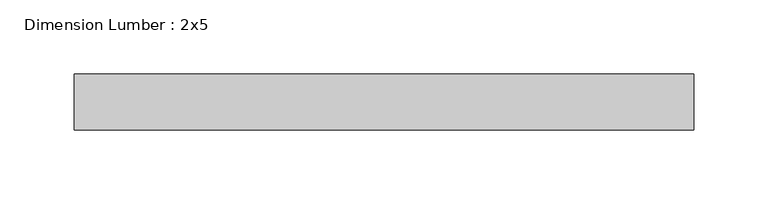
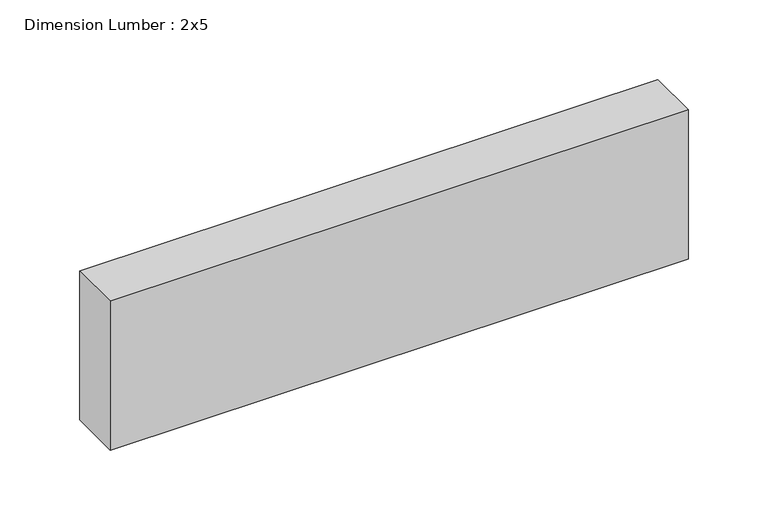
"""IFC4 building model written with IfcOpenShell, lengths in millimetres: beam geometry, Dimension Lumber : 2x5."""

from ifc_helpers import new_model, si_unit, frame, origin, place, context, project, spatial, polyline, outline, extrude, source, transform, mapped, element, save


def dimension_lumber_2x5_a3cd55ff(model_context):
    return source(origin(), model_context, "Body", "SweptSolid", [
        extrude(outline(polyline([(209.4240339, 19.05), (209.4240339, -19.05), (-209.4240339, -19.05), (-209.4240339, 19.05), (209.4240339, 19.05)])), frame((0.0, 0.0, -57.15), z_axis=(0.0, 0.0, 1.0), x_axis=(1.0, 0.0, 0.0)), (0.0, 0.0, 1.0), 114.3),
    ])


if __name__ == "__main__":
    model = new_model("IFC4")
    model_context = context("Model", 3, world=origin())
    ifc_project = project(units=[si_unit("LENGTHUNIT", "METRE", prefix="MILLI")], contexts=[model_context])
    site = spatial("IfcSite", under=ifc_project)
    building = spatial("IfcBuilding", under=site)
    placement = place(None, origin())
    dimension_lumber_2x5_shape = dimension_lumber_2x5_a3cd55ff(model_context)
    element("IfcBeam", 1, ObjectType="Dimension Lumber : 2x5", at=placement, inside=building, context=model_context, shape_type="MappedRepresentation", body=[
        mapped(dimension_lumber_2x5_shape, transform((0.0, 0.0, 0.0), x_axis=(1.0, 0.0, 0.0), y_axis=(0.0, 1.0, 0.0), z_axis=(0.0, 0.0, 1.0))),
    ])
    save(model, "model.ifc")
